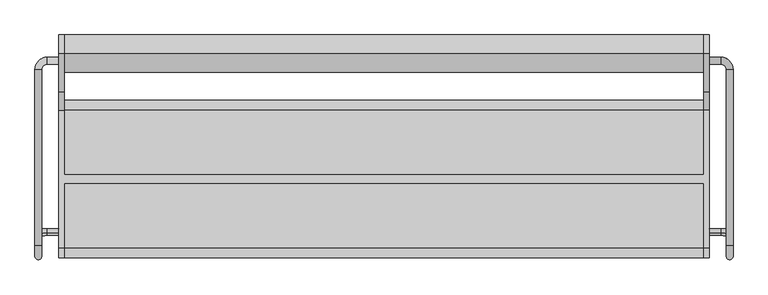
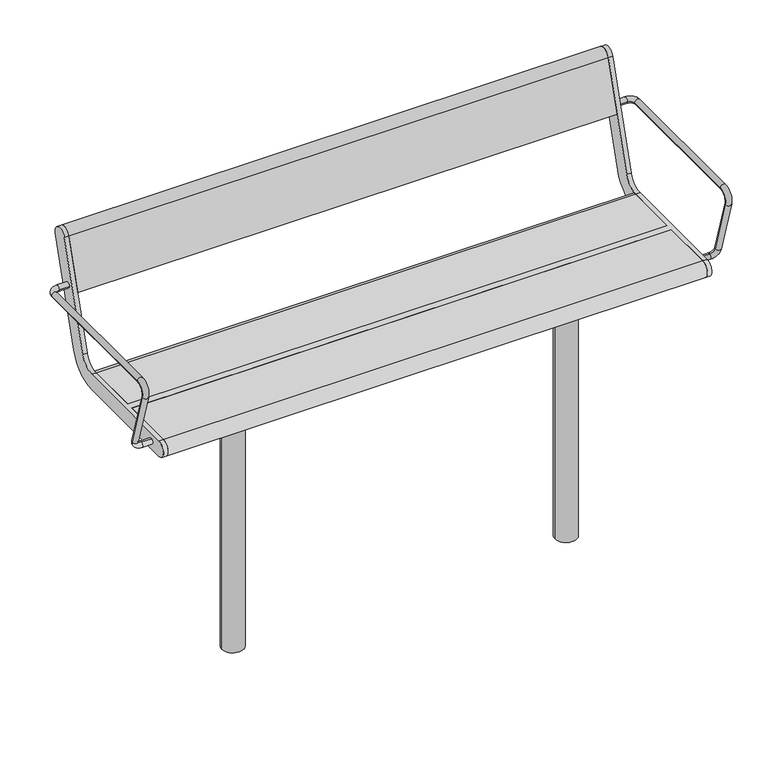
"""IFC4 building model written with IfcOpenShell, lengths in millimetres: furniture geometry."""

from ifc_helpers import new_model, si_unit, point, frame, frame_2d, origin, place, context, project, spatial, polyline, circle_curve, ellipse_curve, trimmed, segment, composite_curve, outline, extrude, source, transform, mapped, element, save
from ifc_brep_helpers import plane_surface, cylinder_surface, revolved_surface, advanced_brep


def furniture_b9bf18b4(model_context):
    return source(origin(), model_context, "Body", "SolidModel", [
        advanced_brep(
        [(757.0, -126.3389736, 435.150438), (757.0, -121.6610264, 419.849562), (784.0, -121.6610264, 419.849562), (784.0, -126.3389736, 435.150438), (813.0, -130.1398058, 447.5823999), (797.0, -130.1398058, 447.5823999), (797.0, 254.0, 641.5), (797.0, -154.3793835, 641.5), (813.0, -154.3793835, 641.5), (813.0, 254.0, 641.5), (813.0, -179.1796199, 607.9844042), (797.0, -179.1796199, 607.9844042), (757.0, 267.0, 641.5), (757.0, 283.0, 641.5), (784.0, 267.0, 641.5), (784.0, 283.0, 641.5)],
        [
            (0, 1, circle_curve(frame((757.0, -124.0, 427.5), z_axis=(-1.0, 0.0, 0.0), x_axis=(0.0, 0.2923717047227402, -0.9563047559630344)), 8.0)),
            (1, 0, circle_curve(frame((757.0, -124.0, 427.5), z_axis=(-1.0, 0.0, 0.0), x_axis=(0.0, 0.2923717047227402, -0.9563047559630344)), 8.0)),
            (1, 2),
            (2, 3, circle_curve(frame((784.0, -124.0, 427.5), z_axis=(-1.0, 0.0, 0.0), x_axis=(0.0, 0.2923717047227402, -0.9563047559630344)), 8.0)),
            (3, 0),
            (3, 2, circle_curve(frame((784.0, -124.0, 427.5), z_axis=(-1.0, 0.0, 0.0), x_axis=(0.0, 0.2923717047227402, -0.9563047559630344)), 8.0)),
            (2, 4, circle_curve(frame((784.0, -130.1398058, 447.5823999), z_axis=(0.0, -0.9563047559630344, -0.29237170472274027), x_axis=(0.0, 0.29237170472274027, -0.9563047559630344)), 29.0)),
            (4, 5, circle_curve(frame((805.0, -130.1398058, 447.5823999), z_axis=(0.0, 0.29237170472274027, -0.9563047559630344), x_axis=(1.0, 0.0, 0.0)), 8.0)),
            (5, 3, circle_curve(frame((784.0, -130.1398058, 447.5823999), z_axis=(0.0, 0.9563047559630344, 0.29237170472274027), x_axis=(0.0, 0.29237170472274027, -0.9563047559630344)), 13.0)),
            (5, 4, circle_curve(frame((805.0, -130.1398058, 447.5823999), z_axis=(0.0, 0.29237170472274027, -0.9563047559630344), x_axis=(1.0, 0.0, 0.0)), 8.0)),
            (6, 7),
            (7, 8, circle_curve(frame((805.0, -154.3793835, 641.5), z_axis=(0.0, 1.0, 0.0), x_axis=(1.0, 0.0, 0.0)), 8.0)),
            (8, 9),
            (9, 6, circle_curve(frame((805.0, 254.0, 641.5), z_axis=(0.0, -1.0, 0.0), x_axis=(1.0, 0.0, 0.0)), 8.0)),
            (6, 9, circle_curve(frame((805.0, 254.0, 641.5), z_axis=(0.0, -1.0, 0.0), x_axis=(1.0, 0.0, 0.0)), 8.0)),
            (8, 7, circle_curve(frame((805.0, -154.3793835, 641.5), z_axis=(0.0, 1.0, 0.0), x_axis=(1.0, 0.0, 0.0)), 8.0)),
            (8, 10, circle_curve(frame((813.0, -154.3793835, 615.5665973), z_axis=(1.0, 0.0, 0.0), x_axis=(0.0, 0.0, 1.0)), 25.9334027)),
            (10, 11, circle_curve(frame((805.0, -179.1796199, 607.9844042), z_axis=(0.0, -0.29237170472273366, 0.9563047559630364), x_axis=(1.0, 0.0, 0.0)), 8.0)),
            (11, 7, circle_curve(frame((797.0, -154.3793835, 615.5665973), z_axis=(-1.0, 0.0, 0.0), x_axis=(0.0, 0.0, 1.0)), 25.9334027)),
            (11, 10, circle_curve(frame((805.0, -179.1796199, 607.9844042), z_axis=(0.0, -0.2923717047227341, 0.9563047559630362), x_axis=(1.0, 0.0, 0.0)), 8.0)),
            (10, 4),
            (5, 11),
            (12, 13, circle_curve(frame((757.0, 275.0, 641.5), z_axis=(-1.0, 0.0, 0.0), x_axis=(0.0, 1.0, 0.0)), 8.0)),
            (13, 12, circle_curve(frame((757.0, 275.0, 641.5), z_axis=(-1.0, 0.0, 0.0), x_axis=(0.0, 1.0, 0.0)), 8.0)),
            (12, 14),
            (14, 15, circle_curve(frame((784.0, 275.0, 641.5), z_axis=(-1.0, 0.0, 0.0), x_axis=(0.0, 1.0, 0.0)), 8.0)),
            (15, 13),
            (15, 14, circle_curve(frame((784.0, 275.0, 641.5), z_axis=(-1.0, 0.0, 0.0), x_axis=(0.0, 1.0, 0.0)), 8.0)),
            (14, 6, circle_curve(frame((784.0, 254.0, 641.5), z_axis=(0.0, 0.0, -1.0), x_axis=(0.0, 1.0, 0.0)), 13.0)),
            (9, 15, circle_curve(frame((784.0, 254.0, 641.5), z_axis=(0.0, 0.0, 1.0), x_axis=(0.0, 1.0, 0.0)), 29.0)),
        ],
        [
            plane_surface(frame((757.0, 489.469501, 615.0564486), z_axis=(-1.0, 0.0, 0.0), x_axis=(0.0, -0.9563047559630344, -0.29237170472274027))),
            cylinder_surface(frame((757.0, -124.0, 427.5), z_axis=(-1.0, 0.0, 0.0), x_axis=(0.0, 0.2923717047227402, -0.9563047559630344)), 8.0),
            revolved_surface(trimmed(ellipse_curve(frame((784.0, -124.0, 427.5), z_axis=(-1.0, 0.0, 0.0), x_axis=(0.0, 0.2923717047227402, -0.9563047559630344)), 8.0, 8.0), [point((784.0, -121.6610264, 419.849562))], [point((784.0, -126.3389736, 435.150438))], True, "CARTESIAN"), (784.0, 483.3296952, 635.1388485), (0.0, -0.9563047559630344, -0.29237170472274027)),
            revolved_surface(trimmed(ellipse_curve(frame((784.0, -124.0, 427.5), z_axis=(-1.0, 0.0, 0.0), x_axis=(0.0, 0.2923717047227402, -0.9563047559630344)), 8.0, 8.0), [point((784.0, -126.3389736, 435.150438))], [point((784.0, -121.6610264, 419.849562))], True, "CARTESIAN"), (784.0, 483.3296952, 635.1388485), (0.0, -0.9563047559630344, -0.29237170472274027)),
            cylinder_surface(frame((805.0, 254.0, 641.5), z_axis=(0.0, 1.0, 0.0), x_axis=(1.0, 0.0, 0.0)), 8.0),
            revolved_surface(trimmed(ellipse_curve(frame((805.0, -154.3793835, 641.5), z_axis=(0.0, 1.0, 0.0), x_axis=(1.0, 0.0, 0.0)), 8.0, 8.0), [point((813.0, -154.3793835, 641.5))], [point((797.0, -154.3793835, 641.5))], True, "CARTESIAN"), (500.0, -154.3793835, 615.5665973), (1.0, 0.0, 0.0)),
            revolved_surface(trimmed(ellipse_curve(frame((805.0, -154.3793835, 641.5), z_axis=(0.0, 1.0, 0.0), x_axis=(1.0, 0.0, 0.0)), 8.0, 8.0), [point((797.0, -154.3793835, 641.5))], [point((813.0, -154.3793835, 641.5))], True, "CARTESIAN"), (500.0, -154.3793835, 615.5665973), (1.0, 0.0, 0.0)),
            cylinder_surface(frame((805.0, -179.1796199, 607.9844042), z_axis=(0.0, -0.29237170472273794, 0.9563047559630351), x_axis=(1.0, 0.0, 0.0)), 8.0),
            plane_surface(frame((757.0, 275.0, 0.0), z_axis=(-1.0, 0.0, 0.0), x_axis=(0.0, 0.0, 1.0))),
            cylinder_surface(frame((757.0, 275.0, 641.5), z_axis=(-1.0, 0.0, 0.0), x_axis=(0.0, 1.0, 0.0)), 8.0),
            revolved_surface(trimmed(ellipse_curve(frame((784.0, 275.0, 641.5), z_axis=(-1.0, 0.0, 0.0), x_axis=(0.0, 1.0, 0.0)), 8.0, 8.0), [point((784.0, 267.0, 641.5))], [point((784.0, 283.0, 641.5))], True, "CARTESIAN"), (784.0, 254.0, 0.0), (0.0, 0.0, -1.0)),
            revolved_surface(trimmed(ellipse_curve(frame((784.0, 275.0, 641.5), z_axis=(-1.0, 0.0, 0.0), x_axis=(0.0, 1.0, 0.0)), 8.0, 8.0), [point((784.0, 283.0, 641.5))], [point((784.0, 267.0, 641.5))], True, "CARTESIAN"), (784.0, 254.0, 0.0), (0.0, 0.0, -1.0)),
        ],
        [
            (0, [[1, 2]]),
            (1, [[-2, 3, 4, 5]]),
            (1, [[-1, -5, 6, -3]]),
            (2, [[-4, 7, 8, 9]]),
            (3, [[-6, -9, 10, -7]]),
            (4, [[11, 12, 13, 14]]),
            (4, [[-11, 15, -13, 16]]),
            (5, [[-16, 17, 18, 19]]),
            (6, [[-12, -19, 20, -17]]),
            (7, [[-18, 21, -10, 22]]),
            (7, [[-20, -22, -8, -21]]),
            (8, [[23, 24]]),
            (9, [[-23, 25, 26, 27]]),
            (9, [[-24, -27, 28, -25]]),
            (10, [[-26, 29, -14, 30]]),
            (11, [[-28, -30, -15, -29]]),
        ],
    ),
        advanced_brep(
        [(-813.0, 254.0, 641.5), (-813.0, -154.3793835, 641.5), (-797.0, -154.3793835, 641.5), (-797.0, 254.0, 641.5), (-757.0, 267.0, 641.5), (-757.0, 283.0, 641.5), (-784.0, 283.0, 641.5), (-784.0, 267.0, 641.5), (-797.0, -179.1796199, 607.9844042), (-813.0, -179.1796199, 607.9844042), (-797.0, -130.1398058, 447.5823999), (-813.0, -130.1398058, 447.5823999), (-757.0, -126.3389736, 435.150438), (-757.0, -121.6610264, 419.849562), (-784.0, -126.3389736, 435.150438), (-784.0, -121.6610264, 419.849562)],
        [
            (0, 1),
            (1, 2, circle_curve(frame((-805.0, -154.3793835, 641.5), z_axis=(0.0, 1.0, 0.0), x_axis=(-1.0, 0.0, 0.0)), 8.0)),
            (2, 3),
            (3, 0, circle_curve(frame((-805.0, 254.0, 641.5), z_axis=(0.0, -1.0, 0.0), x_axis=(-1.0, 0.0, 0.0)), 8.0)),
            (0, 3, circle_curve(frame((-805.0, 254.0, 641.5), z_axis=(0.0, -1.0, 0.0), x_axis=(-1.0, 0.0, 0.0)), 8.0)),
            (2, 1, circle_curve(frame((-805.0, -154.3793835, 641.5), z_axis=(0.0, 1.0, 0.0), x_axis=(-1.0, 0.0, 0.0)), 8.0)),
            (4, 5, circle_curve(frame((-757.0, 275.0, 641.5), z_axis=(1.0, 0.0, 0.0), x_axis=(0.0, 1.0, 0.0)), 8.0)),
            (5, 4, circle_curve(frame((-757.0, 275.0, 641.5), z_axis=(1.0, 0.0, 0.0), x_axis=(0.0, 1.0, 0.0)), 8.0)),
            (5, 6),
            (6, 7, circle_curve(frame((-784.0, 275.0, 641.5), z_axis=(1.0, 0.0, 0.0), x_axis=(0.0, 1.0, 0.0)), 8.0)),
            (7, 4),
            (7, 6, circle_curve(frame((-784.0, 275.0, 641.5), z_axis=(1.0, 0.0, 0.0), x_axis=(0.0, 1.0, 0.0)), 8.0)),
            (6, 0, circle_curve(frame((-784.0, 254.0, 641.5), z_axis=(0.0, 0.0, 1.0), x_axis=(0.0, 1.0, 0.0)), 29.0)),
            (3, 7, circle_curve(frame((-784.0, 254.0, 641.5), z_axis=(0.0, 0.0, -1.0), x_axis=(0.0, 1.0, 0.0)), 13.0)),
            (2, 8, circle_curve(frame((-797.0, -154.3793835, 615.5665973), z_axis=(1.0, 0.0, 0.0), x_axis=(0.0, 0.0, 1.0)), 25.9334027)),
            (8, 9, circle_curve(frame((-805.0, -179.1796199, 607.9844042), z_axis=(0.0, -0.29237170472273327, 0.9563047559630365), x_axis=(-1.0, 0.0, 0.0)), 8.0)),
            (9, 1, circle_curve(frame((-813.0, -154.3793835, 615.5665973), z_axis=(-1.0, 0.0, 0.0), x_axis=(0.0, 0.0, 1.0)), 25.9334027)),
            (9, 8, circle_curve(frame((-805.0, -179.1796199, 607.9844042), z_axis=(0.0, -0.29237170472273366, 0.9563047559630364), x_axis=(-1.0, 0.0, 0.0)), 8.0)),
            (8, 10),
            (10, 11, circle_curve(frame((-805.0, -130.1398058, 447.5823999), z_axis=(0.0, -0.29237170472273794, 0.9563047559630351), x_axis=(-1.0, 0.0, 0.0)), 8.0)),
            (11, 9),
            (11, 10, circle_curve(frame((-805.0, -130.1398058, 447.5823999), z_axis=(0.0, -0.29237170472273794, 0.9563047559630351), x_axis=(-1.0, 0.0, 0.0)), 8.0)),
            (12, 13, circle_curve(frame((-757.0, -124.0, 427.5), z_axis=(1.0, 0.0, 0.0), x_axis=(0.0, 0.2923717047227402, -0.9563047559630344)), 8.0)),
            (13, 12, circle_curve(frame((-757.0, -124.0, 427.5), z_axis=(1.0, 0.0, 0.0), x_axis=(0.0, 0.2923717047227402, -0.9563047559630344)), 8.0)),
            (12, 14),
            (14, 15, circle_curve(frame((-784.0, -124.0, 427.5), z_axis=(1.0, 0.0, 0.0), x_axis=(0.0, 0.2923717047227402, -0.9563047559630344)), 8.0)),
            (15, 13),
            (15, 14, circle_curve(frame((-784.0, -124.0, 427.5), z_axis=(1.0, 0.0, 0.0), x_axis=(0.0, 0.2923717047227402, -0.9563047559630344)), 8.0)),
            (14, 10, circle_curve(frame((-784.0, -130.1398058, 447.5823999), z_axis=(0.0, 0.9563047559630344, 0.29237170472274027), x_axis=(0.0, 0.29237170472274027, -0.9563047559630344)), 13.0)),
            (11, 15, circle_curve(frame((-784.0, -130.1398058, 447.5823999), z_axis=(0.0, -0.9563047559630344, -0.29237170472274027), x_axis=(0.0, 0.29237170472274027, -0.9563047559630344)), 29.0)),
        ],
        [
            cylinder_surface(frame((-805.0, 254.0, 641.5), z_axis=(0.0, 1.0, 0.0), x_axis=(-1.0, 0.0, 0.0)), 8.0),
            plane_surface(frame((-757.0, 275.0, 0.0), z_axis=(1.0, 0.0, 0.0), x_axis=(0.0, 0.0, 1.0))),
            cylinder_surface(frame((-757.0, 275.0, 641.5), z_axis=(1.0, 0.0, 0.0), x_axis=(0.0, 1.0, 0.0)), 8.0),
            revolved_surface(trimmed(ellipse_curve(frame((-784.0, 275.0, 641.5), z_axis=(1.0, 0.0, 0.0), x_axis=(0.0, 1.0, 0.0)), 8.0, 8.0), [point((-784.0, 283.0, 641.5))], [point((-784.0, 267.0, 641.5))], True, "CARTESIAN"), (-784.0, 254.0, 0.0), (0.0, 0.0, 1.0)),
            revolved_surface(trimmed(ellipse_curve(frame((-784.0, 275.0, 641.5), z_axis=(1.0, 0.0, 0.0), x_axis=(0.0, 1.0, 0.0)), 8.0, 8.0), [point((-784.0, 267.0, 641.5))], [point((-784.0, 283.0, 641.5))], True, "CARTESIAN"), (-784.0, 254.0, 0.0), (0.0, 0.0, 1.0)),
            revolved_surface(trimmed(ellipse_curve(frame((-805.0, -154.3793835, 641.5), z_axis=(0.0, 1.0, 0.0), x_axis=(-1.0, 0.0, 0.0)), 8.0, 8.0), [point((-797.0, -154.3793835, 641.5))], [point((-813.0, -154.3793835, 641.5))], True, "CARTESIAN"), (-500.0, -154.3793835, 615.5665973), (1.0, 0.0, 0.0)),
            revolved_surface(trimmed(ellipse_curve(frame((-805.0, -154.3793835, 641.5), z_axis=(0.0, 1.0, 0.0), x_axis=(-1.0, 0.0, 0.0)), 8.0, 8.0), [point((-813.0, -154.3793835, 641.5))], [point((-797.0, -154.3793835, 641.5))], True, "CARTESIAN"), (-500.0, -154.3793835, 615.5665973), (1.0, 0.0, 0.0)),
            cylinder_surface(frame((-805.0, -179.1796199, 607.9844042), z_axis=(0.0, -0.29237170472273794, 0.9563047559630351), x_axis=(-1.0, 0.0, 0.0)), 8.0),
            plane_surface(frame((-757.0, 489.469501, 615.0564486), z_axis=(1.0, 0.0, 0.0), x_axis=(0.0, -0.9563047559630344, -0.29237170472274027))),
            cylinder_surface(frame((-757.0, -124.0, 427.5), z_axis=(1.0, 0.0, 0.0), x_axis=(0.0, 0.2923717047227402, -0.9563047559630344)), 8.0),
            revolved_surface(trimmed(ellipse_curve(frame((-784.0, -124.0, 427.5), z_axis=(1.0, 0.0, 0.0), x_axis=(0.0, 0.2923717047227402, -0.9563047559630344)), 8.0, 8.0), [point((-784.0, -126.3389736, 435.150438))], [point((-784.0, -121.6610264, 419.849562))], True, "CARTESIAN"), (-784.0, 483.3296952, 635.1388485), (0.0, 0.9563047559630344, 0.29237170472274027)),
            revolved_surface(trimmed(ellipse_curve(frame((-784.0, -124.0, 427.5), z_axis=(1.0, 0.0, 0.0), x_axis=(0.0, 0.2923717047227402, -0.9563047559630344)), 8.0, 8.0), [point((-784.0, -121.6610264, 419.849562))], [point((-784.0, -126.3389736, 435.150438))], True, "CARTESIAN"), (-784.0, 483.3296952, 635.1388485), (0.0, 0.9563047559630344, 0.29237170472274027)),
        ],
        [
            (0, [[1, 2, 3, 4]]),
            (0, [[-1, 5, -3, 6]]),
            (1, [[7, 8]]),
            (2, [[-8, 9, 10, 11]]),
            (2, [[-7, -11, 12, -9]]),
            (3, [[-10, 13, -4, 14]]),
            (4, [[-12, -14, -5, -13]]),
            (5, [[-6, 15, 16, 17]]),
            (6, [[-2, -17, 18, -15]]),
            (7, [[-16, 19, 20, 21]]),
            (7, [[-18, -21, 22, -19]]),
            (8, [[23, 24]]),
            (9, [[-23, 25, 26, 27]]),
            (9, [[-24, -27, 28, -25]]),
            (10, [[-26, 29, -22, 30]]),
            (11, [[-28, -30, -20, -29]]),
        ],
    ),
        advanced_brep(
        [(-745.0, 291.0375971, 769.6910048), (-745.0, 203.033714, 481.8432733), (-745.0, 160.0, 450.0), (-745.0, 9.5, 450.0), (-745.0, 9.5, 405.0), (-745.0, 160.0, 405.0), (-745.0, 246.067428, 468.6865466), (-745.0, 334.0713112, 756.5342781), (-745.0, -161.0, 450.0), (-745.0, -161.0, 405.0), (-745.0, -10.5, 405.0), (-745.0, -10.5, 450.0), (-757.0, 291.0375971, 769.6910048), (-757.0, 334.0713112, 756.5342781), (-757.0, 246.067428, 468.6865466), (-757.0, 160.0, 405.0), (-757.0, -161.0, 405.0), (-757.0, -161.0, 450.0), (-757.0, 160.0, 450.0), (-757.0, 203.033714, 481.8432733), (745.0, -10.5, 450.0), (745.0, -161.0, 450.0), (757.0, -161.0, 450.0), (757.0, 160.0, 450.0), (745.0, 160.0, 450.0), (745.0, 9.5, 450.0), (745.0, 9.5, 405.0), (745.0, 160.0, 405.0), (757.0, 160.0, 405.0), (757.0, -161.0, 405.0), (745.0, -161.0, 405.0), (745.0, -10.5, 405.0), (757.0, 291.0375971, 769.6910048), (757.0, 203.033714, 481.8432733), (757.0, 246.067428, 468.6865466), (757.0, 334.0713112, 756.5342781), (745.0, 291.0375971, 769.6910048), (745.0, 334.0713112, 756.5342781), (745.0, 246.067428, 468.6865466), (745.0, 203.033714, 481.8432733)],
        [
            (0, 1),
            (1, 2, circle_curve(frame((-745.0, 160.0, 495.0), z_axis=(-1.0, 0.0, 0.0), x_axis=(0.0, -1.0, 0.0)), 45.0)),
            (2, 3),
            (3, 4),
            (4, 5),
            (5, 6, circle_curve(frame((-745.0, 160.0, 495.0), z_axis=(1.0, 0.0, 0.0), x_axis=(0.0, -1.0, 0.0)), 90.0)),
            (6, 7),
            (7, 0, circle_curve(frame((-745.0, 312.5544541, 763.1126415), z_axis=(1.0, 0.0, 0.0), x_axis=(0.0, -1.0, 0.0)), 22.5)),
            (8, 9, circle_curve(frame((-745.0, -161.0, 427.5), z_axis=(1.0, 0.0, 0.0), x_axis=(0.0, -1.0, 0.0)), 22.5)),
            (9, 10),
            (10, 11),
            (11, 8),
            (12, 13, circle_curve(frame((-757.0, 312.5544541, 763.1126415), z_axis=(-1.0, 0.0, 0.0), x_axis=(0.0, -1.0, 0.0)), 22.5)),
            (13, 14),
            (14, 15, circle_curve(frame((-757.0, 160.0, 495.0), z_axis=(-1.0, 0.0, 0.0), x_axis=(0.0, -1.0, 0.0)), 90.0)),
            (15, 16),
            (16, 17, circle_curve(frame((-757.0, -161.0, 427.5), z_axis=(-1.0, 0.0, 0.0), x_axis=(0.0, -1.0, 0.0)), 22.5)),
            (17, 18),
            (18, 19, circle_curve(frame((-757.0, 160.0, 495.0), z_axis=(1.0, 0.0, 0.0), x_axis=(0.0, -1.0, 0.0)), 45.0)),
            (19, 12),
            (0, 12),
            (19, 1),
            (18, 2),
            (17, 8),
            (11, 20),
            (20, 21),
            (21, 22),
            (22, 23),
            (23, 24),
            (24, 25),
            (25, 3),
            (15, 5),
            (4, 26),
            (26, 27),
            (27, 28),
            (28, 29),
            (29, 30),
            (30, 31),
            (31, 10),
            (9, 16),
            (14, 6),
            (13, 7),
            (31, 20),
            (25, 26),
            (32, 33),
            (33, 23, circle_curve(frame((757.0, 160.0, 495.0), z_axis=(-1.0, 0.0, 0.0), x_axis=(0.0, -1.0, 0.0)), 45.0)),
            (22, 29, circle_curve(frame((757.0, -161.0, 427.5), z_axis=(1.0, 0.0, 0.0), x_axis=(0.0, -1.0, 0.0)), 22.5)),
            (28, 34, circle_curve(frame((757.0, 160.0, 495.0), z_axis=(1.0, 0.0, 0.0), x_axis=(0.0, -1.0, 0.0)), 90.0)),
            (34, 35),
            (35, 32, circle_curve(frame((757.0, 312.5544541, 763.1126415), z_axis=(1.0, 0.0, 0.0), x_axis=(0.0, -1.0, 0.0)), 22.5)),
            (36, 37, circle_curve(frame((745.0, 312.5544541, 763.1126415), z_axis=(-1.0, 0.0, 0.0), x_axis=(0.0, -1.0, 0.0)), 22.5)),
            (37, 38),
            (38, 27, circle_curve(frame((745.0, 160.0, 495.0), z_axis=(-1.0, 0.0, 0.0), x_axis=(0.0, -1.0, 0.0)), 90.0)),
            (24, 39, circle_curve(frame((745.0, 160.0, 495.0), z_axis=(1.0, 0.0, 0.0), x_axis=(0.0, -1.0, 0.0)), 45.0)),
            (39, 36),
            (30, 21, circle_curve(frame((745.0, -161.0, 427.5), z_axis=(-1.0, 0.0, 0.0), x_axis=(0.0, -1.0, 0.0)), 22.5)),
            (32, 36),
            (39, 33),
            (38, 34),
            (37, 35),
        ],
        [
            plane_surface(frame((-745.0, 203.033714, 481.8432733), z_axis=(1.0000000000000002, 0.0, 0.0), x_axis=(0.0, -0.29237170472273394, -0.9563047559630364))),
            plane_surface(frame((-757.0, 203.033714, 481.8432733), z_axis=(-1.0000000000000002, 0.0, 0.0), x_axis=(0.0, 0.29237170472273394, 0.9563047559630364))),
            plane_surface(frame((-745.0, 291.0375971, 769.6910048), z_axis=(0.0, -0.9563047559630364, 0.29237170472273394), x_axis=(-1.0, 0.0, 0.0))),
            revolved_surface(polyline([(-757.0, 115.0, 495.0), (-745.0, 115.0, 495.0)]), (-757.0, 160.0, 495.0), (-1.0, 0.0, 0.0)),
            plane_surface(frame((-745.0, 160.0, 450.0), z_axis=(0.0, 0.0, 1.0), x_axis=(-1.0, 0.0, 0.0))),
            plane_surface(frame((-745.0, -161.0, 405.0), z_axis=(0.0, 0.0, -1.0), x_axis=(-1.0, 0.0, 0.0))),
            cylinder_surface(frame((-757.0, 160.0, 495.0), z_axis=(1.0, 0.0, 0.0), x_axis=(0.0, -1.0, 0.0)), 90.0),
            plane_surface(frame((-745.0, 246.067428, 468.6865466), z_axis=(0.0, 0.9563047559630364, -0.29237170472273366), x_axis=(-1.0, 0.0, 0.0))),
            cylinder_surface(frame((-757.0, 312.5544541, 763.1126415), z_axis=(1.0, 0.0, 0.0), x_axis=(0.0, -1.0, 0.0)), 22.5),
            cylinder_surface(frame((-757.0, -161.0, 427.5), z_axis=(1.0, 0.0, 0.0), x_axis=(0.0, -1.0, 0.0)), 22.5),
            plane_surface(frame((745.0, -10.5, 450.0), z_axis=(0.0, -1.0, 0.0), x_axis=(-1.0, 0.0, 0.0))),
            plane_surface(frame((745.0, 9.5, 405.0), z_axis=(0.0, 1.0, 0.0), x_axis=(-1.0, 0.0, 0.0))),
            plane_surface(frame((757.0, 203.033714, 481.8432733), z_axis=(1.0000000000000002, 0.0, 0.0), x_axis=(0.0, -0.29237170472273394, -0.9563047559630364))),
            plane_surface(frame((745.0, 203.033714, 481.8432733), z_axis=(-1.0000000000000002, 0.0, 0.0), x_axis=(0.0, 0.29237170472273394, 0.9563047559630364))),
            plane_surface(frame((757.0, 291.0375971, 769.6910048), z_axis=(0.0, -0.9563047559630364, 0.29237170472273394), x_axis=(-1.0, 0.0, 0.0))),
            revolved_surface(polyline([(745.0, 115.0, 495.0), (757.0, 115.0, 495.0)]), (745.0, 160.0, 495.0), (-1.0, 0.0, 0.0)),
            cylinder_surface(frame((745.0, 160.0, 495.0), z_axis=(1.0, 0.0, 0.0), x_axis=(0.0, -1.0, 0.0)), 90.0),
            plane_surface(frame((757.0, 246.067428, 468.6865466), z_axis=(0.0, 0.9563047559630364, -0.29237170472273366), x_axis=(-1.0, 0.0, 0.0))),
            cylinder_surface(frame((745.0, 312.5544541, 763.1126415), z_axis=(1.0, 0.0, 0.0), x_axis=(0.0, -1.0, 0.0)), 22.5),
            cylinder_surface(frame((745.0, -161.0, 427.5), z_axis=(1.0, 0.0, 0.0), x_axis=(0.0, -1.0, 0.0)), 22.5),
        ],
        [
            (0, [[1, 2, 3, 4, 5, 6, 7, 8]]),
            (0, [[9, 10, 11, 12]]),
            (1, [[13, 14, 15, 16, 17, 18, 19, 20]]),
            (2, [[-1, 21, -20, 22]]),
            (3, [[-2, -22, -19, 23]]),
            (4, [[-18, 24, -12, 25, 26, 27, 28, 29, 30, 31, -3, -23]]),
            (5, [[-16, 32, -5, 33, 34, 35, 36, 37, 38, 39, -10, 40]]),
            (6, [[-6, -32, -15, 41]]),
            (7, [[-7, -41, -14, 42]]),
            (8, [[-8, -42, -13, -21]]),
            (9, [[-9, -24, -17, -40]]),
            (10, [[-25, -11, -39, 43]]),
            (11, [[-31, 44, -33, -4]]),
            (12, [[45, 46, -28, 47, -36, 48, 49, 50]]),
            (13, [[51, 52, 53, -34, -44, -30, 54, 55]]),
            (13, [[56, -26, -43, -38]]),
            (14, [[-45, 57, -55, 58]]),
            (15, [[-46, -58, -54, -29]]),
            (16, [[-48, -35, -53, 59]]),
            (17, [[-49, -59, -52, 60]]),
            (18, [[-50, -60, -51, -57]]),
            (19, [[-47, -27, -56, -37]]),
        ],
    ),
        extrude(outline(composite_curve([segment(trimmed(circle_curve(frame_2d((312.5544541, 763.1126415)), 22.5), [point((291.0375971, 769.6910048))], [point((334.0713112, 756.5342781))], False, "CARTESIAN"), True, "CONTINUOUS"), segment(polyline([(334.0713112, 756.5342781), (291.5312281, 617.3919361), (248.4975141, 630.5486628), (291.0375971, 769.6910048)]), True, "CONTINUOUS")], self_intersect=False)), frame((-745.0, 0.0, 0.0), z_axis=(1.0, 0.0, 0.0), x_axis=(0.0, 1.0, 0.0)), (0.0, 0.0, 1.0), 1490.0),
        extrude(outline(composite_curve([segment(polyline([(9.5, 405.0), (9.5, 450.0), (160.0, 450.0)]), True, "CONTINUOUS"), segment(trimmed(circle_curve(frame_2d((160.0, 427.5)), 22.5), [point((160.0, 450.0))], [point((160.0, 405.0))], False, "CARTESIAN"), True, "CONTINUOUS"), segment(polyline([(160.0, 405.0), (9.5, 405.0)]), True, "CONTINUOUS")], self_intersect=False)), frame((-745.0, 0.0, 0.0), z_axis=(1.0, 0.0, 0.0), x_axis=(0.0, 1.0, 0.0)), (0.0, 0.0, 1.0), 1490.0),
        extrude(outline(composite_curve([segment(polyline([(-10.5, 405.0), (-161.0, 405.0)]), True, "CONTINUOUS"), segment(trimmed(circle_curve(frame_2d((-161.0, 427.5)), 22.5), [point((-161.0, 405.0))], [point((-161.0, 450.0))], False, "CARTESIAN"), True, "CONTINUOUS"), segment(polyline([(-161.0, 450.0), (-10.5, 450.0), (-10.5, 405.0)]), True, "CONTINUOUS")], self_intersect=False)), frame((-745.0, 0.0, 0.0), z_axis=(1.0, 0.0, 0.0), x_axis=(0.0, 1.0, 0.0)), (0.0, 0.0, 1.0), 1490.0),
        extrude(outline(composite_curve([segment(trimmed(circle_curve(frame_2d((460.0, 0.0)), 30.0), [point((430.0, 0.0))], [point((490.0, 0.0))], False, "CARTESIAN"), True, "CONTINUOUS"), segment(trimmed(circle_curve(frame_2d((460.0, 0.0)), 30.0), [point((490.0, 0.0))], [point((430.0, 0.0))], False, "CARTESIAN"), True, "CONTINUOUS")], self_intersect=False)), frame((0.0, 0.0, -350.0), z_axis=(0.0, 0.0, 1.0), x_axis=(1.0, 0.0, 0.0)), (0.0, 0.0, 1.0), 739.0),
        extrude(outline(polyline([(535.0, 125.0), (535.0, -125.0), (385.0, -125.0), (385.0, 125.0), (535.0, 125.0)])), frame((0.0, 0.0, 389.0), z_axis=(0.0, 0.0, 1.0), x_axis=(1.0, 0.0, 0.0)), (0.0, 0.0, 1.0), 16.0),
        extrude(outline(composite_curve([segment(trimmed(circle_curve(frame_2d((-460.0, 0.0)), 30.0), [point((-490.0, 0.0))], [point((-430.0, 0.0))], False, "CARTESIAN"), True, "CONTINUOUS"), segment(trimmed(circle_curve(frame_2d((-460.0, 0.0)), 30.0), [point((-430.0, 0.0))], [point((-490.0, 0.0))], False, "CARTESIAN"), True, "CONTINUOUS")], self_intersect=False)), frame((0.0, 0.0, -350.0), z_axis=(0.0, 0.0, 1.0), x_axis=(1.0, 0.0, 0.0)), (0.0, 0.0, 1.0), 739.0),
        extrude(outline(polyline([(-385.0, 125.0), (-385.0, -125.0), (-535.0, -125.0), (-535.0, 125.0), (-385.0, 125.0)])), frame((0.0, 0.0, 389.0), z_axis=(0.0, 0.0, 1.0), x_axis=(1.0, 0.0, 0.0)), (0.0, 0.0, 1.0), 16.0),
    ])


if __name__ == "__main__":
    model = new_model("IFC4")
    model_context = context("Model", 3, world=origin())
    ifc_project = project(units=[si_unit("LENGTHUNIT", "METRE", prefix="MILLI")], contexts=[model_context])
    site = spatial("IfcSite", under=ifc_project)
    building = spatial("IfcBuilding", under=site)
    placement = place(None, origin())
    furniture_shape = furniture_b9bf18b4(model_context)
    element("IfcFurniture", 1, at=placement, inside=building, context=model_context, shape_type="MappedRepresentation", body=[
        mapped(furniture_shape, transform((0.0, 0.0, 0.0), x_axis=(1.0, 0.0, 0.0), y_axis=(0.0, 1.0, 0.0), z_axis=(0.0, 0.0, 1.0))),
    ])
    save(model, "model.ifc")
